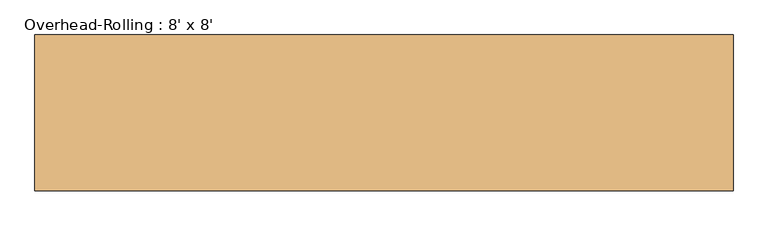
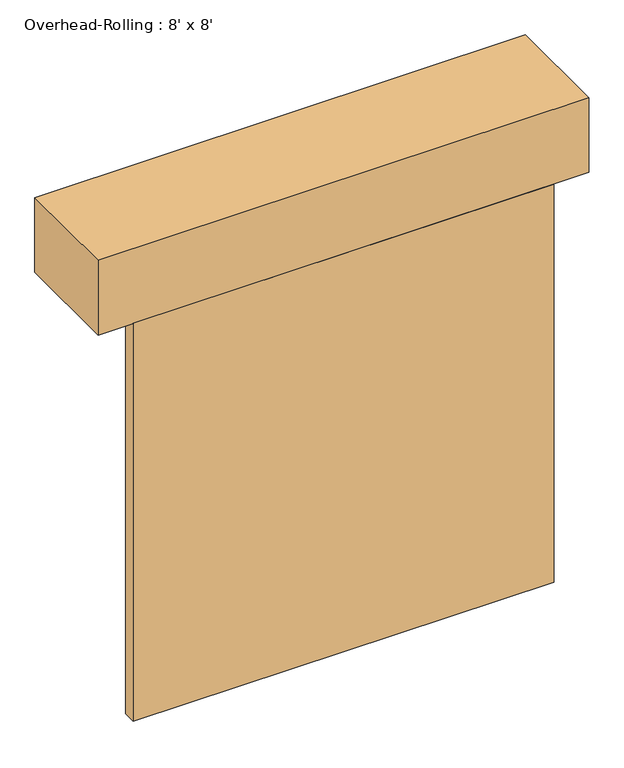
"""IFC4 building model written with IfcOpenShell, lengths in millimetres: door geometry, Overhead-Rolling : 8' x 8'."""

from ifc_helpers import new_model, si_unit, frame, origin, origin_with_axes, place, context, project, spatial, polyline, outline, extrude, source, transform, mapped, element, save


def overhead_rolling_8_x_8_15b061fd(model_context):
    return source(origin(), model_context, "Body", "SweptSolid", [
        extrude(outline(polyline([(1219.2, 96.8375), (-1219.2, 96.8375), (-1219.2, 173.0375), (1219.2, 173.0375), (1219.2, 96.8375)])), origin_with_axes(), (0.0, 0.0, 1.0), 2438.4),
        extrude(outline(polyline([(1422.4, 731.8375), (1422.4, 96.8375), (-1422.4, 96.8375), (-1422.4, 731.8375), (1422.4, 731.8375)])), frame((0.0, 0.0, 2438.4), z_axis=(0.0, 0.0, 1.0), x_axis=(1.0, 0.0, 0.0)), (0.0, 0.0, 1.0), 457.2),
    ])


if __name__ == "__main__":
    model = new_model("IFC4")
    model_context = context("Model", 3, world=origin())
    ifc_project = project(units=[si_unit("LENGTHUNIT", "METRE", prefix="MILLI")], contexts=[model_context])
    site = spatial("IfcSite", under=ifc_project)
    building = spatial("IfcBuilding", under=site)
    placement = place(None, origin())
    overhead_rolling_8_x_8_shape = overhead_rolling_8_x_8_15b061fd(model_context)
    element("IfcDoor", 1, ObjectType="Overhead-Rolling : 8' x 8'", at=placement, inside=building, context=model_context, shape_type="MappedRepresentation", body=[
        mapped(overhead_rolling_8_x_8_shape, transform((0.0, 0.0, 0.0), x_axis=(1.0, 0.0, 0.0), y_axis=(0.0, 1.0, 0.0), z_axis=(0.0, 0.0, 1.0))),
    ])
    save(model, "model.ifc")
